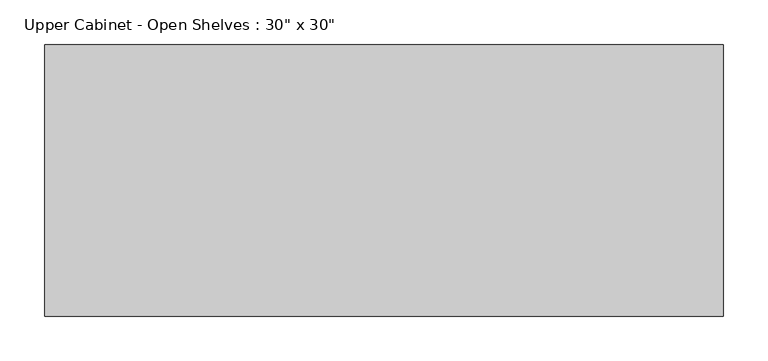
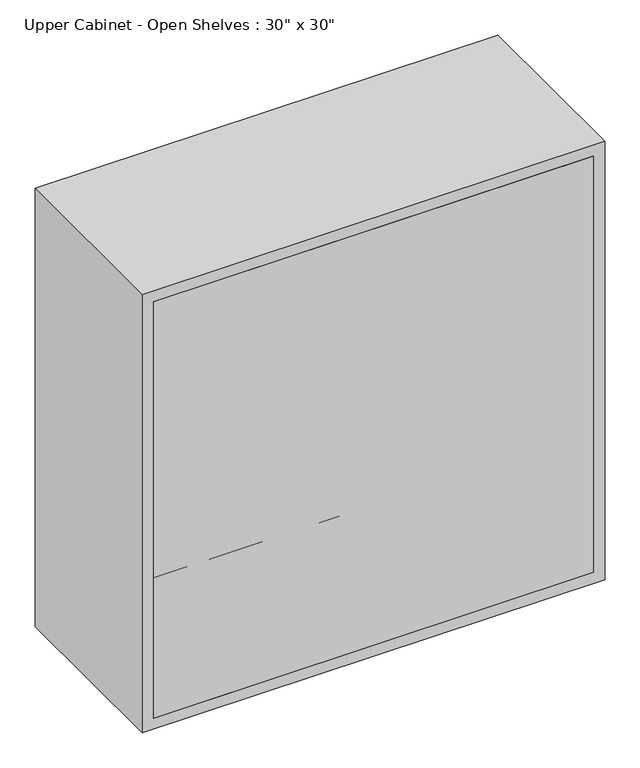
"""IFC4 building model written with IfcOpenShell, lengths in millimetres: furniture geometry."""

import ifcopenshell
import ifcopenshell.guid

model = None  # the IFC model being written
_history = None  # IfcOwnerHistory: only IFC2X3 demands one
_inside = {}  # id of a spatial element -> (the spatial element, [elements in it])
_under = {}  # id of a project, library or spatial element -> (it, [spatial elements below it])
_declared = {}  # id of a project -> (the project, [libraries it declares])
_typed = {}  # id of a type object -> (the type object, [elements of that type])
_made_of = {}  # id of a material, layer set ... -> (it, [elements and type objects made of it])


def new_model(schema):
    """Start an empty IFC model of exactly this schema.

    Asked for "IFC4X3", IfcOpenShell would pick the latest addendum, in which some entities
    have other attributes; the version numbers below select the first issue.
    IFC2X3 requires an IfcOwnerHistory on every rooted entity: one is made here for all.
    """
    global model, _history
    if schema == "IFC4X3":
        model = ifcopenshell.file(schema_version=(4, 3, 0, 0))
    else:
        model = ifcopenshell.file(schema=schema)
    _inside.clear()
    _under.clear()
    _declared.clear()
    _typed.clear()
    _made_of.clear()
    _history = None
    if model.schema == "IFC2X3":
        org = make("IfcOrganization", Name="unknown")
        user = make(
            "IfcPersonAndOrganization",
            ThePerson=make("IfcPerson", FamilyName="unknown"),
            TheOrganization=org,
        )
        app = make(
            "IfcApplication",
            ApplicationDeveloper=org,
            Version="unknown",
            ApplicationFullName="unknown",
            ApplicationIdentifier="unknown",
        )
        _history = make(
            "IfcOwnerHistory",
            OwningUser=user,
            OwningApplication=app,
            ChangeAction="ADDED",
            CreationDate=0,
        )
    return model


def make(cls, **values):
    """One entity of the class cls with the attributes given. An attribute that is None is left unset."""
    return model.create_entity(
        cls, **{name: value for name, value in values.items() if value is not None}
    )


def rooted(cls, **values):
    """An entity with a GlobalId (a new one), such as an element, a storey or a relation."""
    return make(cls, GlobalId=ifcopenshell.guid.new(), OwnerHistory=_history, **values)


def si_unit(unit_type, name, prefix=None):
    """IfcSIUnit, for example si_unit("LENGTHUNIT", "METRE", prefix="MILLI")."""
    return make("IfcSIUnit", UnitType=unit_type, Prefix=prefix, Name=name)


def assignment(units):
    """IfcUnitAssignment: the units of a project."""
    return None if units is None else make("IfcUnitAssignment", Units=units)


def point(xyz):
    """IfcCartesianPoint."""
    return None if xyz is None else make("IfcCartesianPoint", Coordinates=xyz)


def direction(xyz):
    """IfcDirection."""
    return None if xyz is None else make("IfcDirection", DirectionRatios=xyz)


def frame(location, z_axis=None, x_axis=None):
    """IfcAxis2Placement3D, a coordinate frame: its origin and axes. An axis left out is left unset."""
    return make(
        "IfcAxis2Placement3D",
        Location=point(location),
        Axis=direction(z_axis),
        RefDirection=direction(x_axis),
    )


def origin():
    """The frame at (0, 0, 0) with its axes left unset."""
    return frame((0.0, 0.0, 0.0))


def place(relative_to, where):
    """IfcLocalPlacement: puts the frame where relative to a parent placement (None: the world)."""
    return make(
        "IfcLocalPlacement", PlacementRelTo=relative_to, RelativePlacement=where
    )


def context(
    kind, dimensions, precision=None, world=None, true_north=None, identifier=None
):
    """IfcGeometricRepresentationContext, for example the 3D "Model" context."""
    return make(
        "IfcGeometricRepresentationContext",
        ContextIdentifier=identifier,
        ContextType=kind,
        CoordinateSpaceDimension=dimensions,
        Precision=precision,
        WorldCoordinateSystem=world,
        TrueNorth=true_north,
    )


def project(units=None, contexts=None):
    """IfcProject with its units and contexts."""
    return rooted(
        "IfcProject",
        Name="project",
        RepresentationContexts=contexts,
        UnitsInContext=assignment(units),
    )


def spatial(cls, under=None, at=None, **own):
    """A site, building, storey or space (cls), placed at a placement, below another one or the project."""
    s = rooted(cls, ObjectPlacement=at, **own)
    if under is not None:
        _under.setdefault(under.id(), (under, []))[1].append(s)
    return s


def polyline(points):
    """IfcPolyline through the points."""
    return make("IfcPolyline", Points=[point(p) for p in points])


def outline(outer, holes=None, kind="AREA"):
    """IfcArbitraryClosedProfileDef: a profile drawn as a closed curve; with holes, ...WithVoids."""
    if holes is None:
        return make("IfcArbitraryClosedProfileDef", ProfileType=kind, OuterCurve=outer)
    return make(
        "IfcArbitraryProfileDefWithVoids",
        ProfileType=kind,
        OuterCurve=outer,
        InnerCurves=holes,
    )


def extrude(swept, where, along, depth):
    """IfcExtrudedAreaSolid: the profile swept, set in the frame where, extruded along a direction by depth."""
    return make(
        "IfcExtrudedAreaSolid",
        SweptArea=swept,
        Position=where,
        ExtrudedDirection=direction(along),
        Depth=depth,
    )


def shape(context_of_items, identifier, shape_type, items):
    """IfcShapeRepresentation: the items that make up one representation, for example the "Body"."""
    return make(
        "IfcShapeRepresentation",
        ContextOfItems=context_of_items,
        RepresentationIdentifier=identifier,
        RepresentationType=shape_type,
        Items=items,
    )


def source(mapping_origin, context_of_items, identifier, shape_type, items):
    """IfcRepresentationMap: a shape defined once, which mapped items show again and again."""
    return make(
        "IfcRepresentationMap",
        MappingOrigin=mapping_origin,
        MappedRepresentation=shape(context_of_items, identifier, shape_type, items),
    )


def transform(
    local_origin,
    x_axis=None,
    y_axis=None,
    z_axis=None,
    scale=None,
    scale2=None,
    scale3=None,
    uniform=True,
):
    """IfcCartesianTransformationOperator3D, or its non-uniform kind. x_axis, y_axis, z_axis: its Axis1, 2, 3."""
    if uniform:
        return make(
            "IfcCartesianTransformationOperator3D",
            Axis1=direction(x_axis),
            Axis2=direction(y_axis),
            LocalOrigin=point(local_origin),
            Scale=scale,
            Axis3=direction(z_axis),
        )
    return make(
        "IfcCartesianTransformationOperator3DnonUniform",
        Axis1=direction(x_axis),
        Axis2=direction(y_axis),
        LocalOrigin=point(local_origin),
        Scale=scale,
        Axis3=direction(z_axis),
        Scale2=scale2,
        Scale3=scale3,
    )


def mapped(mapping_source, mapping_target):
    """IfcMappedItem: shows the shape of a source again, moved by a transform."""
    return make(
        "IfcMappedItem", MappingSource=mapping_source, MappingTarget=mapping_target
    )


def made_of(thing, what):
    """Note that an element or type object is made of a material, layer set ...; save() writes the relation."""
    if what is not None:
        _made_of.setdefault(what.id(), (what, []))[1].append(thing)
    return thing


def element(
    cls,
    number,
    at=None,
    inside=None,
    cuts=None,
    type_object=None,
    material=None,
    context=None,
    identifier="Body",
    shape_type=None,
    held_by="IfcProductDefinitionShape",
    body=None,
    shapes=None,
    **own,
):
    """One element of the class cls, such as IfcWall. Its Tag is "e" and its number.

    at: its placement. inside: the storey or other place that contains it. cuts: it is an
    opening in that element (IfcRelVoidsElement). A single representation is given by context,
    identifier, shape_type and body (its items); several are given by shapes. held_by: the class
    of the entity that holds the representations. save() writes the other relations.
    """
    e = rooted(cls, Tag="e%d" % number, ObjectPlacement=at, **own)
    if body is not None:
        shapes = [shape(context, identifier, shape_type, body)]
    if shapes is not None:
        e.Representation = make(held_by, Representations=shapes)
    if inside is not None:
        _inside.setdefault(inside.id(), (inside, []))[1].append(e)
    if cuts is not None:
        rooted(
            "IfcRelVoidsElement", RelatingBuildingElement=cuts, RelatedOpeningElement=e
        )
    if type_object is not None:
        _typed.setdefault(type_object.id(), (type_object, []))[1].append(e)
    return made_of(e, material)


def aggregate(whole, parts):
    """IfcRelAggregates: a whole, such as a stair, and the parts it consists of."""
    return rooted("IfcRelAggregates", RelatingObject=whole, RelatedObjects=parts)


def save(model, path):
    """Write the relations noted so far, then the file.

    IfcRelAggregates (storeys below a building ...), IfcRelContainedInSpatialStructure (elements
    in a storey), IfcRelDefinesByType, IfcRelAssociatesMaterial and IfcRelDeclares: one each for
    every whole, place, type object, material and project.
    """
    for whole, parts in _under.values():
        aggregate(whole, parts)
    for where, things in _inside.values():
        rooted(
            "IfcRelContainedInSpatialStructure",
            RelatedElements=things,
            RelatingStructure=where,
        )
    for kind, things in _typed.values():
        rooted("IfcRelDefinesByType", RelatedObjects=things, RelatingType=kind)
    for what, things in _made_of.values():
        rooted("IfcRelAssociatesMaterial", RelatedObjects=things, RelatingMaterial=what)
    for by, libraries in _declared.values():
        rooted("IfcRelDeclares", RelatingContext=by, RelatedDefinitions=libraries)
    model.write(path)


def furniture_0182a247(model_context):
    return source(origin(), model_context, "Body", "SweptSolid", [
        extrude(outline(polyline([(361.95, 96.8375), (-361.95, 96.8375), (-361.95, 115.8875), (361.95, 115.8875), (361.95, 96.8375)])), frame((0.0, 0.0, 1390.65), z_axis=(0.0, 0.0, 1.0), x_axis=(1.0, 0.0, 0.0)), (0.0, 0.0, 1.0), 723.9),
        extrude(outline(polyline([(361.95, 96.8375), (-361.95, 96.8375), (-361.95, 401.6375), (361.95, 401.6375), (361.95, 96.8375)])), frame((0.0, 0.0, 1616.075), z_axis=(0.0, 0.0, 1.0), x_axis=(1.0, 0.0, 0.0)), (0.0, 0.0, 1.0), 19.05),
        extrude(outline(polyline([(361.95, 96.8375), (-361.95, 96.8375), (-361.95, 401.6375), (361.95, 401.6375), (361.95, 96.8375)])), frame((0.0, 0.0, 1870.075), z_axis=(0.0, 0.0, 1.0), x_axis=(1.0, 0.0, 0.0)), (0.0, 0.0, 1.0), 19.05),
        extrude(outline(polyline([(2133.6, -381.0), (1371.6, -381.0), (1371.6, 381.0), (2133.6, 381.0), (2133.6, -381.0)]), holes=[polyline([(2114.55, -361.95), (2114.55, 361.95), (1390.65, 361.95), (1390.65, -361.95), (2114.55, -361.95)])]), frame((0.0, 96.8375, 0.0), z_axis=(0.0, 1.0, 0.0), x_axis=(0.0, 0.0, 1.0)), (0.0, 0.0, 1.0), 304.8),
    ])


if __name__ == "__main__":
    model = new_model("IFC4")
    model_context = context("Model", 3, world=origin())
    ifc_project = project(units=[si_unit("LENGTHUNIT", "METRE", prefix="MILLI")], contexts=[model_context])
    site = spatial("IfcSite", under=ifc_project)
    building = spatial("IfcBuilding", under=site)
    placement = place(None, origin())
    furniture_shape = furniture_0182a247(model_context)
    element("IfcFurniture", 1, ObjectType="Upper Cabinet - Open Shelves : 30\" x 30\"", at=placement, inside=building, context=model_context, shape_type="MappedRepresentation", body=[
        mapped(furniture_shape, transform((0.0, 0.0, 0.0), x_axis=(1.0, 0.0, 0.0), y_axis=(0.0, 1.0, 0.0), z_axis=(0.0, 0.0, 1.0))),
    ])
    save(model, "model.ifc")
